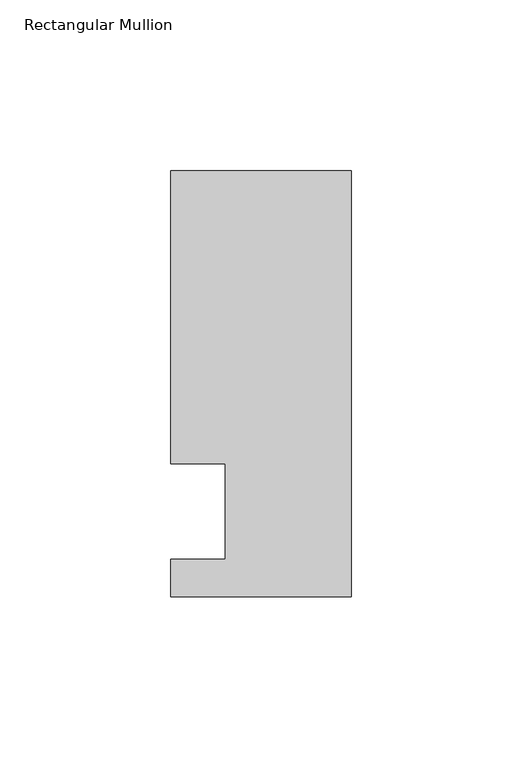
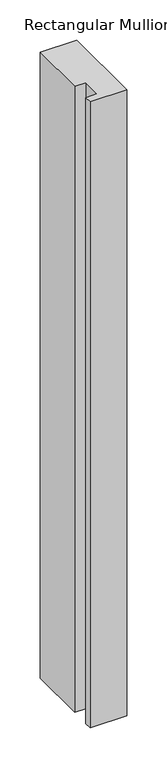
"""IFC4 building model written with IfcOpenShell, lengths in millimetres: member geometry, Rectangular Mullion."""

from ifc_helpers import new_model, si_unit, frame, origin, place, context, project, spatial, polyline, outline, extrude, source, transform, mapped, element, save


def rectangular_mullion_92fce2da(model_context):
    return source(origin(), model_context, "Body", "SweptSolid", [
        extrude(outline(polyline([(0.0, -25.0), (-53.0, -25.0), (-53.0, -14.0), (-37.0, -14.0), (-37.0, 14.0), (-53.0, 14.0), (-53.0, 100.0), (0.0, 100.0), (0.0, -25.0)])), frame((0.0, 0.0, -953.6623342), z_axis=(0.0, 0.0, 1.0), x_axis=(1.0, 0.0, 0.0)), (0.0, 0.0, 1.0), 953.6623342),
    ])


if __name__ == "__main__":
    model = new_model("IFC4")
    model_context = context("Model", 3, world=origin())
    ifc_project = project(units=[si_unit("LENGTHUNIT", "METRE", prefix="MILLI")], contexts=[model_context])
    site = spatial("IfcSite", under=ifc_project)
    building = spatial("IfcBuilding", under=site)
    placement = place(None, origin())
    rectangular_mullion_shape = rectangular_mullion_92fce2da(model_context)
    element("IfcMember", 1, ObjectType="Rectangular Mullion", at=placement, inside=building, context=model_context, shape_type="MappedRepresentation", body=[
        mapped(rectangular_mullion_shape, transform((0.0, 0.0, 0.0), x_axis=(1.0, 0.0, 0.0), y_axis=(0.0, 1.0, 0.0), z_axis=(0.0, 0.0, 1.0))),
    ])
    save(model, "model.ifc")
